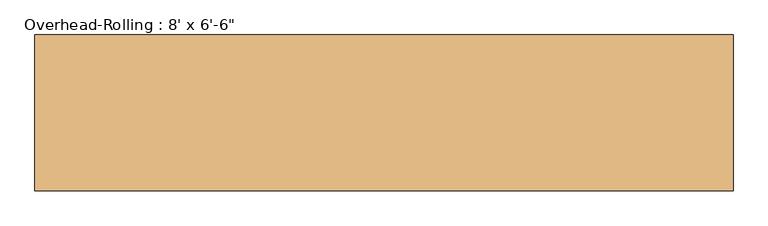
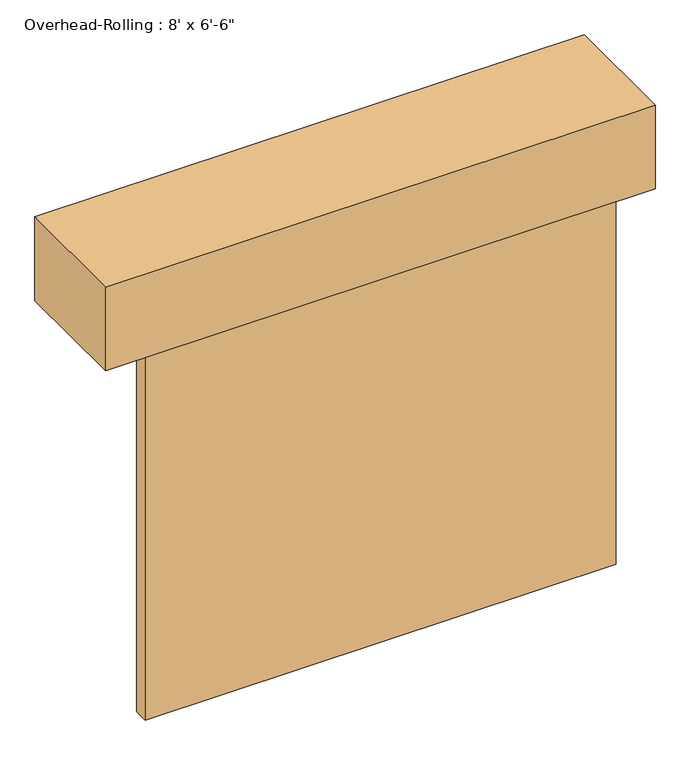
"""IFC4 building model written with IfcOpenShell, lengths in millimetres: door geometry."""

import ifcopenshell
import ifcopenshell.guid

model = None  # the IFC model being written
_history = None  # IfcOwnerHistory: only IFC2X3 demands one
_inside = {}  # id of a spatial element -> (the spatial element, [elements in it])
_under = {}  # id of a project, library or spatial element -> (it, [spatial elements below it])
_declared = {}  # id of a project -> (the project, [libraries it declares])
_typed = {}  # id of a type object -> (the type object, [elements of that type])
_made_of = {}  # id of a material, layer set ... -> (it, [elements and type objects made of it])


def new_model(schema):
    """Start an empty IFC model of exactly this schema.

    Asked for "IFC4X3", IfcOpenShell would pick the latest addendum, in which some entities
    have other attributes; the version numbers below select the first issue.
    IFC2X3 requires an IfcOwnerHistory on every rooted entity: one is made here for all.
    """
    global model, _history
    if schema == "IFC4X3":
        model = ifcopenshell.file(schema_version=(4, 3, 0, 0))
    else:
        model = ifcopenshell.file(schema=schema)
    _inside.clear()
    _under.clear()
    _declared.clear()
    _typed.clear()
    _made_of.clear()
    _history = None
    if model.schema == "IFC2X3":
        org = make("IfcOrganization", Name="unknown")
        user = make(
            "IfcPersonAndOrganization",
            ThePerson=make("IfcPerson", FamilyName="unknown"),
            TheOrganization=org,
        )
        app = make(
            "IfcApplication",
            ApplicationDeveloper=org,
            Version="unknown",
            ApplicationFullName="unknown",
            ApplicationIdentifier="unknown",
        )
        _history = make(
            "IfcOwnerHistory",
            OwningUser=user,
            OwningApplication=app,
            ChangeAction="ADDED",
            CreationDate=0,
        )
    return model


def make(cls, **values):
    """One entity of the class cls with the attributes given. An attribute that is None is left unset."""
    return model.create_entity(
        cls, **{name: value for name, value in values.items() if value is not None}
    )


def rooted(cls, **values):
    """An entity with a GlobalId (a new one), such as an element, a storey or a relation."""
    return make(cls, GlobalId=ifcopenshell.guid.new(), OwnerHistory=_history, **values)


def si_unit(unit_type, name, prefix=None):
    """IfcSIUnit, for example si_unit("LENGTHUNIT", "METRE", prefix="MILLI")."""
    return make("IfcSIUnit", UnitType=unit_type, Prefix=prefix, Name=name)


def assignment(units):
    """IfcUnitAssignment: the units of a project."""
    return None if units is None else make("IfcUnitAssignment", Units=units)


def point(xyz):
    """IfcCartesianPoint."""
    return None if xyz is None else make("IfcCartesianPoint", Coordinates=xyz)


def direction(xyz):
    """IfcDirection."""
    return None if xyz is None else make("IfcDirection", DirectionRatios=xyz)


def frame(location, z_axis=None, x_axis=None):
    """IfcAxis2Placement3D, a coordinate frame: its origin and axes. An axis left out is left unset."""
    return make(
        "IfcAxis2Placement3D",
        Location=point(location),
        Axis=direction(z_axis),
        RefDirection=direction(x_axis),
    )


def origin():
    """The frame at (0, 0, 0) with its axes left unset."""
    return frame((0.0, 0.0, 0.0))


def origin_with_axes():
    """The frame at (0, 0, 0) with the z axis (0, 0, 1) and the x axis (1, 0, 0) written out."""
    return frame((0.0, 0.0, 0.0), z_axis=(0.0, 0.0, 1.0), x_axis=(1.0, 0.0, 0.0))


def place(relative_to, where):
    """IfcLocalPlacement: puts the frame where relative to a parent placement (None: the world)."""
    return make(
        "IfcLocalPlacement", PlacementRelTo=relative_to, RelativePlacement=where
    )


def context(
    kind, dimensions, precision=None, world=None, true_north=None, identifier=None
):
    """IfcGeometricRepresentationContext, for example the 3D "Model" context."""
    return make(
        "IfcGeometricRepresentationContext",
        ContextIdentifier=identifier,
        ContextType=kind,
        CoordinateSpaceDimension=dimensions,
        Precision=precision,
        WorldCoordinateSystem=world,
        TrueNorth=true_north,
    )


def project(units=None, contexts=None):
    """IfcProject with its units and contexts."""
    return rooted(
        "IfcProject",
        Name="project",
        RepresentationContexts=contexts,
        UnitsInContext=assignment(units),
    )


def spatial(cls, under=None, at=None, **own):
    """A site, building, storey or space (cls), placed at a placement, below another one or the project."""
    s = rooted(cls, ObjectPlacement=at, **own)
    if under is not None:
        _under.setdefault(under.id(), (under, []))[1].append(s)
    return s


def polyline(points):
    """IfcPolyline through the points."""
    return make("IfcPolyline", Points=[point(p) for p in points])


def outline(outer, holes=None, kind="AREA"):
    """IfcArbitraryClosedProfileDef: a profile drawn as a closed curve; with holes, ...WithVoids."""
    if holes is None:
        return make("IfcArbitraryClosedProfileDef", ProfileType=kind, OuterCurve=outer)
    return make(
        "IfcArbitraryProfileDefWithVoids",
        ProfileType=kind,
        OuterCurve=outer,
        InnerCurves=holes,
    )


def extrude(swept, where, along, depth):
    """IfcExtrudedAreaSolid: the profile swept, set in the frame where, extruded along a direction by depth."""
    return make(
        "IfcExtrudedAreaSolid",
        SweptArea=swept,
        Position=where,
        ExtrudedDirection=direction(along),
        Depth=depth,
    )


def shape(context_of_items, identifier, shape_type, items):
    """IfcShapeRepresentation: the items that make up one representation, for example the "Body"."""
    return make(
        "IfcShapeRepresentation",
        ContextOfItems=context_of_items,
        RepresentationIdentifier=identifier,
        RepresentationType=shape_type,
        Items=items,
    )


def source(mapping_origin, context_of_items, identifier, shape_type, items):
    """IfcRepresentationMap: a shape defined once, which mapped items show again and again."""
    return make(
        "IfcRepresentationMap",
        MappingOrigin=mapping_origin,
        MappedRepresentation=shape(context_of_items, identifier, shape_type, items),
    )


def transform(
    local_origin,
    x_axis=None,
    y_axis=None,
    z_axis=None,
    scale=None,
    scale2=None,
    scale3=None,
    uniform=True,
):
    """IfcCartesianTransformationOperator3D, or its non-uniform kind. x_axis, y_axis, z_axis: its Axis1, 2, 3."""
    if uniform:
        return make(
            "IfcCartesianTransformationOperator3D",
            Axis1=direction(x_axis),
            Axis2=direction(y_axis),
            LocalOrigin=point(local_origin),
            Scale=scale,
            Axis3=direction(z_axis),
        )
    return make(
        "IfcCartesianTransformationOperator3DnonUniform",
        Axis1=direction(x_axis),
        Axis2=direction(y_axis),
        LocalOrigin=point(local_origin),
        Scale=scale,
        Axis3=direction(z_axis),
        Scale2=scale2,
        Scale3=scale3,
    )


def mapped(mapping_source, mapping_target):
    """IfcMappedItem: shows the shape of a source again, moved by a transform."""
    return make(
        "IfcMappedItem", MappingSource=mapping_source, MappingTarget=mapping_target
    )


def made_of(thing, what):
    """Note that an element or type object is made of a material, layer set ...; save() writes the relation."""
    if what is not None:
        _made_of.setdefault(what.id(), (what, []))[1].append(thing)
    return thing


def element(
    cls,
    number,
    at=None,
    inside=None,
    cuts=None,
    type_object=None,
    material=None,
    context=None,
    identifier="Body",
    shape_type=None,
    held_by="IfcProductDefinitionShape",
    body=None,
    shapes=None,
    **own,
):
    """One element of the class cls, such as IfcWall. Its Tag is "e" and its number.

    at: its placement. inside: the storey or other place that contains it. cuts: it is an
    opening in that element (IfcRelVoidsElement). A single representation is given by context,
    identifier, shape_type and body (its items); several are given by shapes. held_by: the class
    of the entity that holds the representations. save() writes the other relations.
    """
    e = rooted(cls, Tag="e%d" % number, ObjectPlacement=at, **own)
    if body is not None:
        shapes = [shape(context, identifier, shape_type, body)]
    if shapes is not None:
        e.Representation = make(held_by, Representations=shapes)
    if inside is not None:
        _inside.setdefault(inside.id(), (inside, []))[1].append(e)
    if cuts is not None:
        rooted(
            "IfcRelVoidsElement", RelatingBuildingElement=cuts, RelatedOpeningElement=e
        )
    if type_object is not None:
        _typed.setdefault(type_object.id(), (type_object, []))[1].append(e)
    return made_of(e, material)


def aggregate(whole, parts):
    """IfcRelAggregates: a whole, such as a stair, and the parts it consists of."""
    return rooted("IfcRelAggregates", RelatingObject=whole, RelatedObjects=parts)


def save(model, path):
    """Write the relations noted so far, then the file.

    IfcRelAggregates (storeys below a building ...), IfcRelContainedInSpatialStructure (elements
    in a storey), IfcRelDefinesByType, IfcRelAssociatesMaterial and IfcRelDeclares: one each for
    every whole, place, type object, material and project.
    """
    for whole, parts in _under.values():
        aggregate(whole, parts)
    for where, things in _inside.values():
        rooted(
            "IfcRelContainedInSpatialStructure",
            RelatedElements=things,
            RelatingStructure=where,
        )
    for kind, things in _typed.values():
        rooted("IfcRelDefinesByType", RelatedObjects=things, RelatingType=kind)
    for what, things in _made_of.values():
        rooted("IfcRelAssociatesMaterial", RelatedObjects=things, RelatingMaterial=what)
    for by, libraries in _declared.values():
        rooted("IfcRelDeclares", RelatingContext=by, RelatedDefinitions=libraries)
    model.write(path)


def door_8b7b1d9f(model_context):
    return source(origin(), model_context, "Body", "SweptSolid", [
        extrude(outline(polyline([(1219.2, 141.2875), (-1219.2, 141.2875), (-1219.2, 217.4875), (1219.2, 217.4875), (1219.2, 141.2875)])), origin_with_axes(), (0.0, 0.0, 1.0), 1981.2),
        extrude(outline(polyline([(1422.4, 776.2875), (1422.4, 141.2875), (-1422.4, 141.2875), (-1422.4, 776.2875), (1422.4, 776.2875)])), frame((0.0, 0.0, 1981.2), z_axis=(0.0, 0.0, 1.0), x_axis=(1.0, 0.0, 0.0)), (0.0, 0.0, 1.0), 457.2),
    ])


if __name__ == "__main__":
    model = new_model("IFC4")
    model_context = context("Model", 3, world=origin())
    ifc_project = project(units=[si_unit("LENGTHUNIT", "METRE", prefix="MILLI")], contexts=[model_context])
    site = spatial("IfcSite", under=ifc_project)
    building = spatial("IfcBuilding", under=site)
    placement = place(None, origin())
    door_shape = door_8b7b1d9f(model_context)
    element("IfcDoor", 1, ObjectType="Overhead-Rolling : 8' x 6'-6\"", at=placement, inside=building, context=model_context, shape_type="MappedRepresentation", body=[
        mapped(door_shape, transform((0.0, 0.0, 0.0), x_axis=(1.0, 0.0, 0.0), y_axis=(0.0, 1.0, 0.0), z_axis=(0.0, 0.0, 1.0))),
    ])
    save(model, "model.ifc")
